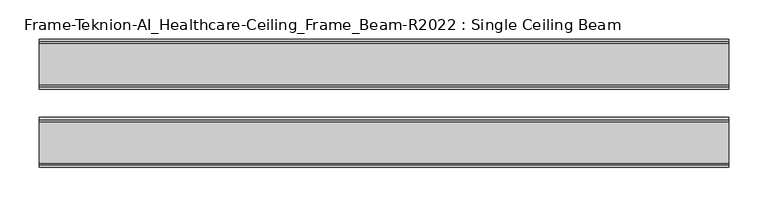
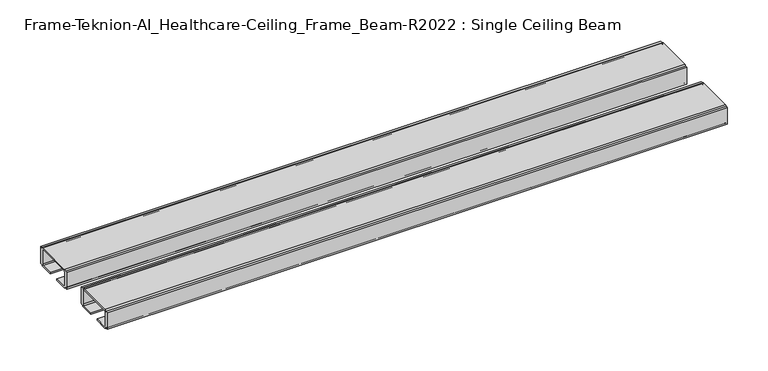
"""IFC4 building model written with IfcOpenShell, lengths in millimetres: furniture geometry, Frame-Teknion-AI_Healthcare-Ceiling_Frame_Beam-R2022 : Single Ceiling Beam."""

from ifc_helpers import new_model, si_unit, point, frame, frame_2d, origin, place, context, project, spatial, polyline, circle_curve, trimmed, segment, composite_curve, outline, extrude, source, transform, mapped, element, save


def frame_teknion_ai_healthcare_ceiling_frame_beam_r2022_single_0c2e9a0d(model_context):
    return source(origin(), model_context, "Body", "SweptSolid", [
        extrude(outline(composite_curve([segment(polyline([(-82.1812471, 1573.5046), (-82.1812471, 1598.9045998), (-79.0062502, 1598.9045998), (-79.0062502, 1597.787)]), True, "CONTINUOUS"), segment(trimmed(circle_curve(frame_2d((-76.5932502, 1597.787)), 2.413), [point((-79.0062502, 1597.787))], [point((-76.5932502, 1600.2))], False, "CARTESIAN"), True, "CONTINUOUS"), segment(polyline([(-76.5932502, 1600.2), (-23.4192521, 1600.2)]), True, "CONTINUOUS"), segment(trimmed(circle_curve(frame_2d((-23.4192521, 1597.787)), 2.413), [point((-23.4192521, 1600.2))], [point((-21.0062521, 1597.787))], False, "CARTESIAN"), True, "CONTINUOUS"), segment(polyline([(-21.0062521, 1597.787), (-21.0062521, 1598.9045998), (-17.8312551, 1598.9045998), (-17.8312551, 1573.5046), (-21.0062521, 1573.5046), (-21.0062521, 1574.6129989)]), True, "CONTINUOUS"), segment(trimmed(circle_curve(frame_2d((-23.4192521, 1574.6129989)), 2.413), [point((-21.0062521, 1574.6129989))], [point((-23.4192521, 1572.199999))], False, "CARTESIAN"), True, "CONTINUOUS"), segment(polyline([(-23.4192521, 1572.199999), (-42.0687564, 1572.199999), (-42.0687564, 1574.4859991), (-24.562251, 1574.4859991)]), True, "CONTINUOUS"), segment(trimmed(circle_curve(frame_2d((-24.562251, 1576.0099999)), 1.5240008), [point((-24.562251, 1574.4859991))], [point((-23.0382502, 1576.0099999))], True, "CARTESIAN"), True, "CONTINUOUS"), segment(polyline([(-23.0382502, 1576.0099999), (-23.0382502, 1597.1520009)]), True, "CONTINUOUS"), segment(trimmed(circle_curve(frame_2d((-24.0542492, 1597.1520009)), 1.015999), [point((-23.0382502, 1597.1520009))], [point((-24.0542492, 1598.168))], True, "CARTESIAN"), True, "CONTINUOUS"), segment(polyline([(-24.0542492, 1598.168), (-75.9582531, 1598.168)]), True, "CONTINUOUS"), segment(trimmed(circle_curve(frame_2d((-75.9582531, 1597.1520009)), 1.015999), [point((-75.9582531, 1598.168))], [point((-76.9742521, 1597.1520009))], True, "CARTESIAN"), True, "CONTINUOUS"), segment(polyline([(-76.9742521, 1597.1520009), (-76.9742521, 1576.0099999)]), True, "CONTINUOUS"), segment(trimmed(circle_curve(frame_2d((-75.4502513, 1576.0099999)), 1.5240008), [point((-76.9742521, 1576.0099999))], [point((-75.4502513, 1574.4859991))], True, "CARTESIAN"), True, "CONTINUOUS"), segment(polyline([(-75.4502513, 1574.4859991), (-57.9437458, 1574.4859991), (-57.9437458, 1572.199999), (-76.5932502, 1572.199999)]), True, "CONTINUOUS"), segment(trimmed(circle_curve(frame_2d((-76.5932502, 1574.6129989)), 2.413), [point((-76.5932502, 1572.199999))], [point((-79.0062502, 1574.6129989))], False, "CARTESIAN"), True, "CONTINUOUS"), segment(polyline([(-79.0062502, 1574.6129989), (-79.0062502, 1573.5046), (-82.1812471, 1573.5046)]), True, "CONTINUOUS")], self_intersect=False)), frame((-441.5715701, 0.0, 0.0), z_axis=(1.0, 0.0, 0.0), x_axis=(0.0, 1.0, 0.0)), (0.0, 0.0, 1.0), 883.1431403),
        extrude(outline(composite_curve([segment(polyline([(1573.5046, 82.1812471), (1598.9045998, 82.1812471), (1598.9045998, 79.0062456), (1597.787, 79.0062456)]), True, "CONTINUOUS"), segment(trimmed(circle_curve(frame_2d((1597.787, 76.5932457)), 2.413), [point((1597.787, 79.0062456))], [point((1600.2, 76.5932457))], False, "CARTESIAN"), True, "CONTINUOUS"), segment(polyline([(1600.2, 76.5932457), (1600.2, 23.4192475)]), True, "CONTINUOUS"), segment(trimmed(circle_curve(frame_2d((1597.787, 23.4192475)), 2.413), [point((1600.2, 23.4192475))], [point((1597.787, 21.0062476))], False, "CARTESIAN"), True, "CONTINUOUS"), segment(polyline([(1597.787, 21.0062476), (1598.9045998, 21.0062476), (1598.9045998, 17.8312506), (1573.5046, 17.8312506), (1573.5046, 21.0062476), (1574.6129989, 21.0062476)]), True, "CONTINUOUS"), segment(trimmed(circle_curve(frame_2d((1574.6129989, 23.4192475)), 2.413), [point((1574.6129989, 21.0062476))], [point((1572.199999, 23.4192475))], False, "CARTESIAN"), True, "CONTINUOUS"), segment(polyline([(1572.199999, 23.4192475), (1572.199999, 42.0687519), (1574.4859991, 42.0687519), (1574.4859991, 24.5622464)]), True, "CONTINUOUS"), segment(trimmed(circle_curve(frame_2d((1576.0099999, 24.5622464)), 1.5240008), [point((1574.4859991, 24.5622464))], [point((1576.0099999, 23.0382456))], True, "CARTESIAN"), True, "CONTINUOUS"), segment(polyline([(1576.0099999, 23.0382456), (1597.1520009, 23.0382456)]), True, "CONTINUOUS"), segment(trimmed(circle_curve(frame_2d((1597.1520009, 24.0542446)), 1.015999), [point((1597.1520009, 23.0382456))], [point((1598.168, 24.0542446))], True, "CARTESIAN"), True, "CONTINUOUS"), segment(polyline([(1598.168, 24.0542446), (1598.168, 75.9582485)]), True, "CONTINUOUS"), segment(trimmed(circle_curve(frame_2d((1597.1520009, 75.9582485)), 1.015999), [point((1598.168, 75.9582485))], [point((1597.1520009, 76.9742476))], True, "CARTESIAN"), True, "CONTINUOUS"), segment(polyline([(1597.1520009, 76.9742476), (1576.0099999, 76.9742476)]), True, "CONTINUOUS"), segment(trimmed(circle_curve(frame_2d((1576.0099999, 75.4502468)), 1.5240008), [point((1576.0099999, 76.9742476))], [point((1574.4859991, 75.4502468))], True, "CARTESIAN"), True, "CONTINUOUS"), segment(polyline([(1574.4859991, 75.4502468), (1574.4859991, 57.9437413), (1572.199999, 57.9437413), (1572.199999, 76.5932457)]), True, "CONTINUOUS"), segment(trimmed(circle_curve(frame_2d((1574.6129989, 76.5932457)), 2.413), [point((1572.199999, 76.5932457))], [point((1574.6129989, 79.0062456))], False, "CARTESIAN"), True, "CONTINUOUS"), segment(polyline([(1574.6129989, 79.0062456), (1573.5046, 79.0062456), (1573.5046, 82.1812471)]), True, "CONTINUOUS")], self_intersect=False)), frame((441.5715701, 0.0, 0.0), z_axis=(-1.0, 0.0, 0.0), x_axis=(0.0, 0.0, 1.0)), (0.0, 0.0, 1.0), 883.1431403),
    ])


if __name__ == "__main__":
    model = new_model("IFC4")
    model_context = context("Model", 3, world=origin())
    ifc_project = project(units=[si_unit("LENGTHUNIT", "METRE", prefix="MILLI")], contexts=[model_context])
    site = spatial("IfcSite", under=ifc_project)
    building = spatial("IfcBuilding", under=site)
    placement = place(None, origin())
    frame_teknion_ai_healthcare_ceiling_frame_beam_r2022_single_shape = frame_teknion_ai_healthcare_ceiling_frame_beam_r2022_single_0c2e9a0d(model_context)
    element("IfcFurniture", 1, ObjectType="Frame-Teknion-AI_Healthcare-Ceiling_Frame_Beam-R2022 : Single Ceiling Beam", at=placement, inside=building, context=model_context, shape_type="MappedRepresentation", body=[
        mapped(frame_teknion_ai_healthcare_ceiling_frame_beam_r2022_single_shape, transform((0.0, 0.0, 0.0), x_axis=(1.0, 0.0, 0.0), y_axis=(0.0, 1.0, 0.0), z_axis=(0.0, 0.0, 1.0))),
    ])
    save(model, "model.ifc")
